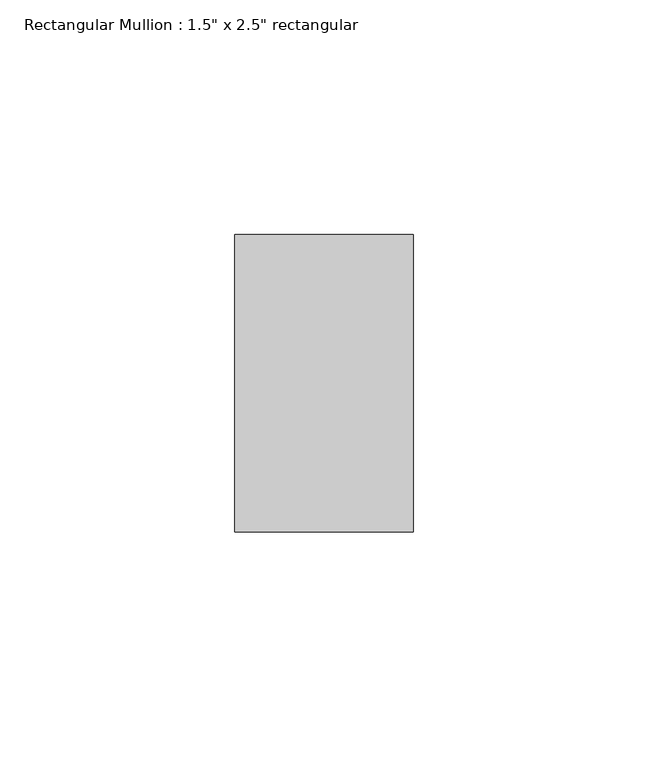
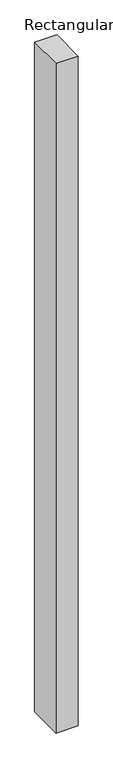
"""IFC4 building model written with IfcOpenShell, lengths in millimetres: member geometry."""

from ifc_helpers import new_model, si_unit, frame, origin, place, context, project, spatial, polyline, outline, extrude, source, transform, mapped, element, save


def member_1f884e47(model_context):
    return source(origin(), model_context, "Body", "SweptSolid", [
        extrude(outline(polyline([(19.05, 31.75), (19.05, -31.75), (-19.05, -31.75), (-19.05, 31.75), (19.05, 31.75)])), frame((0.0, 0.0, -1219.2), z_axis=(0.0, 0.0, 1.0), x_axis=(1.0, 0.0, 0.0)), (0.0, 0.0, 1.0), 1219.2),
    ])


if __name__ == "__main__":
    model = new_model("IFC4")
    model_context = context("Model", 3, world=origin())
    ifc_project = project(units=[si_unit("LENGTHUNIT", "METRE", prefix="MILLI")], contexts=[model_context])
    site = spatial("IfcSite", under=ifc_project)
    building = spatial("IfcBuilding", under=site)
    placement = place(None, origin())
    member_shape = member_1f884e47(model_context)
    element("IfcMember", 1, ObjectType="Rectangular Mullion : 1.5\" x 2.5\" rectangular", at=placement, inside=building, context=model_context, shape_type="MappedRepresentation", body=[
        mapped(member_shape, transform((0.0, 0.0, 0.0), x_axis=(1.0, 0.0, 0.0), y_axis=(0.0, 1.0, 0.0), z_axis=(0.0, 0.0, 1.0))),
    ])
    save(model, "model.ifc")
